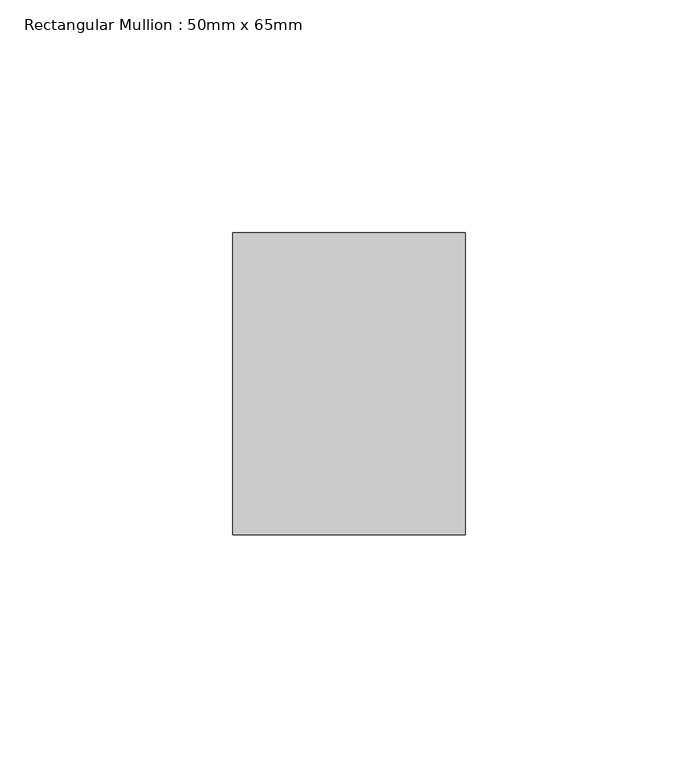
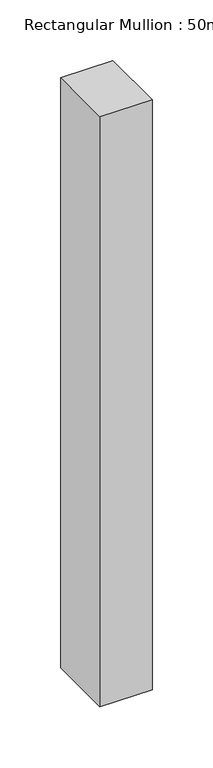
"""IFC4 building model written with IfcOpenShell, lengths in millimetres: member geometry, Rectangular Mullion : 50mm x 65mm."""

import ifcopenshell
import ifcopenshell.guid

model = None  # the IFC model being written
_history = None  # IfcOwnerHistory: only IFC2X3 demands one
_inside = {}  # id of a spatial element -> (the spatial element, [elements in it])
_under = {}  # id of a project, library or spatial element -> (it, [spatial elements below it])
_declared = {}  # id of a project -> (the project, [libraries it declares])
_typed = {}  # id of a type object -> (the type object, [elements of that type])
_made_of = {}  # id of a material, layer set ... -> (it, [elements and type objects made of it])


def new_model(schema):
    """Start an empty IFC model of exactly this schema.

    Asked for "IFC4X3", IfcOpenShell would pick the latest addendum, in which some entities
    have other attributes; the version numbers below select the first issue.
    IFC2X3 requires an IfcOwnerHistory on every rooted entity: one is made here for all.
    """
    global model, _history
    if schema == "IFC4X3":
        model = ifcopenshell.file(schema_version=(4, 3, 0, 0))
    else:
        model = ifcopenshell.file(schema=schema)
    _inside.clear()
    _under.clear()
    _declared.clear()
    _typed.clear()
    _made_of.clear()
    _history = None
    if model.schema == "IFC2X3":
        org = make("IfcOrganization", Name="unknown")
        user = make(
            "IfcPersonAndOrganization",
            ThePerson=make("IfcPerson", FamilyName="unknown"),
            TheOrganization=org,
        )
        app = make(
            "IfcApplication",
            ApplicationDeveloper=org,
            Version="unknown",
            ApplicationFullName="unknown",
            ApplicationIdentifier="unknown",
        )
        _history = make(
            "IfcOwnerHistory",
            OwningUser=user,
            OwningApplication=app,
            ChangeAction="ADDED",
            CreationDate=0,
        )
    return model


def make(cls, **values):
    """One entity of the class cls with the attributes given. An attribute that is None is left unset."""
    return model.create_entity(
        cls, **{name: value for name, value in values.items() if value is not None}
    )


def rooted(cls, **values):
    """An entity with a GlobalId (a new one), such as an element, a storey or a relation."""
    return make(cls, GlobalId=ifcopenshell.guid.new(), OwnerHistory=_history, **values)


def si_unit(unit_type, name, prefix=None):
    """IfcSIUnit, for example si_unit("LENGTHUNIT", "METRE", prefix="MILLI")."""
    return make("IfcSIUnit", UnitType=unit_type, Prefix=prefix, Name=name)


def assignment(units):
    """IfcUnitAssignment: the units of a project."""
    return None if units is None else make("IfcUnitAssignment", Units=units)


def point(xyz):
    """IfcCartesianPoint."""
    return None if xyz is None else make("IfcCartesianPoint", Coordinates=xyz)


def direction(xyz):
    """IfcDirection."""
    return None if xyz is None else make("IfcDirection", DirectionRatios=xyz)


def frame(location, z_axis=None, x_axis=None):
    """IfcAxis2Placement3D, a coordinate frame: its origin and axes. An axis left out is left unset."""
    return make(
        "IfcAxis2Placement3D",
        Location=point(location),
        Axis=direction(z_axis),
        RefDirection=direction(x_axis),
    )


def origin():
    """The frame at (0, 0, 0) with its axes left unset."""
    return frame((0.0, 0.0, 0.0))


def place(relative_to, where):
    """IfcLocalPlacement: puts the frame where relative to a parent placement (None: the world)."""
    return make(
        "IfcLocalPlacement", PlacementRelTo=relative_to, RelativePlacement=where
    )


def context(
    kind, dimensions, precision=None, world=None, true_north=None, identifier=None
):
    """IfcGeometricRepresentationContext, for example the 3D "Model" context."""
    return make(
        "IfcGeometricRepresentationContext",
        ContextIdentifier=identifier,
        ContextType=kind,
        CoordinateSpaceDimension=dimensions,
        Precision=precision,
        WorldCoordinateSystem=world,
        TrueNorth=true_north,
    )


def project(units=None, contexts=None):
    """IfcProject with its units and contexts."""
    return rooted(
        "IfcProject",
        Name="project",
        RepresentationContexts=contexts,
        UnitsInContext=assignment(units),
    )


def spatial(cls, under=None, at=None, **own):
    """A site, building, storey or space (cls), placed at a placement, below another one or the project."""
    s = rooted(cls, ObjectPlacement=at, **own)
    if under is not None:
        _under.setdefault(under.id(), (under, []))[1].append(s)
    return s


def polyline(points):
    """IfcPolyline through the points."""
    return make("IfcPolyline", Points=[point(p) for p in points])


def outline(outer, holes=None, kind="AREA"):
    """IfcArbitraryClosedProfileDef: a profile drawn as a closed curve; with holes, ...WithVoids."""
    if holes is None:
        return make("IfcArbitraryClosedProfileDef", ProfileType=kind, OuterCurve=outer)
    return make(
        "IfcArbitraryProfileDefWithVoids",
        ProfileType=kind,
        OuterCurve=outer,
        InnerCurves=holes,
    )


def extrude(swept, where, along, depth):
    """IfcExtrudedAreaSolid: the profile swept, set in the frame where, extruded along a direction by depth."""
    return make(
        "IfcExtrudedAreaSolid",
        SweptArea=swept,
        Position=where,
        ExtrudedDirection=direction(along),
        Depth=depth,
    )


def shape(context_of_items, identifier, shape_type, items):
    """IfcShapeRepresentation: the items that make up one representation, for example the "Body"."""
    return make(
        "IfcShapeRepresentation",
        ContextOfItems=context_of_items,
        RepresentationIdentifier=identifier,
        RepresentationType=shape_type,
        Items=items,
    )


def source(mapping_origin, context_of_items, identifier, shape_type, items):
    """IfcRepresentationMap: a shape defined once, which mapped items show again and again."""
    return make(
        "IfcRepresentationMap",
        MappingOrigin=mapping_origin,
        MappedRepresentation=shape(context_of_items, identifier, shape_type, items),
    )


def transform(
    local_origin,
    x_axis=None,
    y_axis=None,
    z_axis=None,
    scale=None,
    scale2=None,
    scale3=None,
    uniform=True,
):
    """IfcCartesianTransformationOperator3D, or its non-uniform kind. x_axis, y_axis, z_axis: its Axis1, 2, 3."""
    if uniform:
        return make(
            "IfcCartesianTransformationOperator3D",
            Axis1=direction(x_axis),
            Axis2=direction(y_axis),
            LocalOrigin=point(local_origin),
            Scale=scale,
            Axis3=direction(z_axis),
        )
    return make(
        "IfcCartesianTransformationOperator3DnonUniform",
        Axis1=direction(x_axis),
        Axis2=direction(y_axis),
        LocalOrigin=point(local_origin),
        Scale=scale,
        Axis3=direction(z_axis),
        Scale2=scale2,
        Scale3=scale3,
    )


def mapped(mapping_source, mapping_target):
    """IfcMappedItem: shows the shape of a source again, moved by a transform."""
    return make(
        "IfcMappedItem", MappingSource=mapping_source, MappingTarget=mapping_target
    )


def made_of(thing, what):
    """Note that an element or type object is made of a material, layer set ...; save() writes the relation."""
    if what is not None:
        _made_of.setdefault(what.id(), (what, []))[1].append(thing)
    return thing


def element(
    cls,
    number,
    at=None,
    inside=None,
    cuts=None,
    type_object=None,
    material=None,
    context=None,
    identifier="Body",
    shape_type=None,
    held_by="IfcProductDefinitionShape",
    body=None,
    shapes=None,
    **own,
):
    """One element of the class cls, such as IfcWall. Its Tag is "e" and its number.

    at: its placement. inside: the storey or other place that contains it. cuts: it is an
    opening in that element (IfcRelVoidsElement). A single representation is given by context,
    identifier, shape_type and body (its items); several are given by shapes. held_by: the class
    of the entity that holds the representations. save() writes the other relations.
    """
    e = rooted(cls, Tag="e%d" % number, ObjectPlacement=at, **own)
    if body is not None:
        shapes = [shape(context, identifier, shape_type, body)]
    if shapes is not None:
        e.Representation = make(held_by, Representations=shapes)
    if inside is not None:
        _inside.setdefault(inside.id(), (inside, []))[1].append(e)
    if cuts is not None:
        rooted(
            "IfcRelVoidsElement", RelatingBuildingElement=cuts, RelatedOpeningElement=e
        )
    if type_object is not None:
        _typed.setdefault(type_object.id(), (type_object, []))[1].append(e)
    return made_of(e, material)


def aggregate(whole, parts):
    """IfcRelAggregates: a whole, such as a stair, and the parts it consists of."""
    return rooted("IfcRelAggregates", RelatingObject=whole, RelatedObjects=parts)


def save(model, path):
    """Write the relations noted so far, then the file.

    IfcRelAggregates (storeys below a building ...), IfcRelContainedInSpatialStructure (elements
    in a storey), IfcRelDefinesByType, IfcRelAssociatesMaterial and IfcRelDeclares: one each for
    every whole, place, type object, material and project.
    """
    for whole, parts in _under.values():
        aggregate(whole, parts)
    for where, things in _inside.values():
        rooted(
            "IfcRelContainedInSpatialStructure",
            RelatedElements=things,
            RelatingStructure=where,
        )
    for kind, things in _typed.values():
        rooted("IfcRelDefinesByType", RelatedObjects=things, RelatingType=kind)
    for what, things in _made_of.values():
        rooted("IfcRelAssociatesMaterial", RelatedObjects=things, RelatingMaterial=what)
    for by, libraries in _declared.values():
        rooted("IfcRelDeclares", RelatingContext=by, RelatedDefinitions=libraries)
    model.write(path)


def rectangular_mullion_50mm_x_65mm_34ea2953(model_context):
    return source(origin(), model_context, "Body", "SweptSolid", [
        extrude(outline(polyline([(25.0, 32.5), (25.0, -32.5), (-25.0, -32.5), (-25.0, 32.5), (25.0, 32.5)])), frame((0.0, 0.0, -595.7759101), z_axis=(0.0, 0.0, 1.0), x_axis=(1.0, 0.0, 0.0)), (0.0, 0.0, 1.0), 595.7759101),
    ])


if __name__ == "__main__":
    model = new_model("IFC4")
    model_context = context("Model", 3, world=origin())
    ifc_project = project(units=[si_unit("LENGTHUNIT", "METRE", prefix="MILLI")], contexts=[model_context])
    site = spatial("IfcSite", under=ifc_project)
    building = spatial("IfcBuilding", under=site)
    placement = place(None, origin())
    rectangular_mullion_50mm_x_65mm_shape = rectangular_mullion_50mm_x_65mm_34ea2953(model_context)
    element("IfcMember", 1, ObjectType="Rectangular Mullion : 50mm x 65mm", at=placement, inside=building, context=model_context, shape_type="MappedRepresentation", body=[
        mapped(rectangular_mullion_50mm_x_65mm_shape, transform((0.0, 0.0, 0.0), x_axis=(1.0, 0.0, 0.0), y_axis=(0.0, 1.0, 0.0), z_axis=(0.0, 0.0, 1.0))),
    ])
    save(model, "model.ifc")
